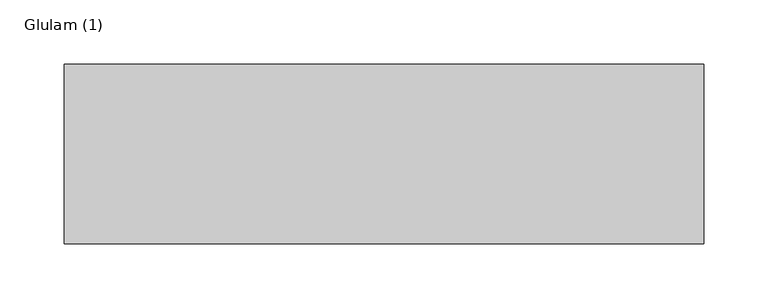
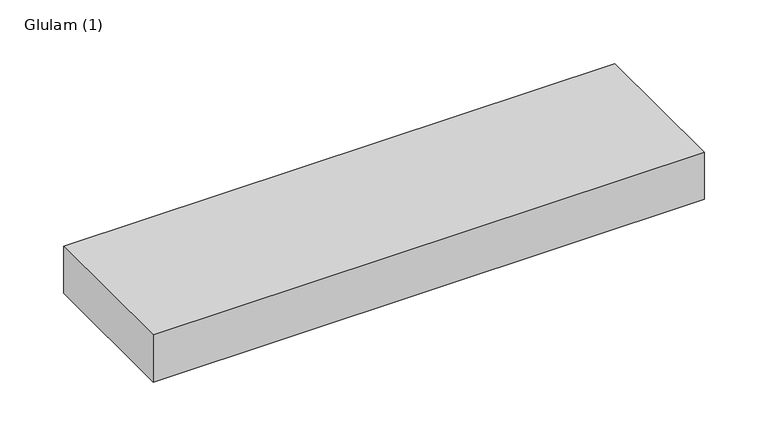
"""IFC4 building model written with IfcOpenShell, lengths in millimetres: beam geometry, Glulam (1)."""

from ifc_helpers import new_model, si_unit, frame, origin, place, context, project, spatial, polyline, outline, extrude, source, transform, mapped, element, save


def glulam_1_32d03d16(model_context):
    return source(origin(), model_context, "Body", "SweptSolid", [
        extrude(outline(polyline([(262.0, 70.0), (262.0, -70.0), (-237.0, -70.0), (-237.0, 70.0), (262.0, 70.0)])), frame((0.0, 0.0, -22.5), z_axis=(0.0, 0.0, 1.0), x_axis=(1.0, 0.0, 0.0)), (0.0, 0.0, 1.0), 45.0),
    ])


if __name__ == "__main__":
    model = new_model("IFC4")
    model_context = context("Model", 3, world=origin())
    ifc_project = project(units=[si_unit("LENGTHUNIT", "METRE", prefix="MILLI")], contexts=[model_context])
    site = spatial("IfcSite", under=ifc_project)
    building = spatial("IfcBuilding", under=site)
    placement = place(None, origin())
    glulam_1_shape = glulam_1_32d03d16(model_context)
    element("IfcBeam", 1, ObjectType="Glulam (1)", at=placement, inside=building, context=model_context, shape_type="MappedRepresentation", body=[
        mapped(glulam_1_shape, transform((0.0, 0.0, 0.0), x_axis=(1.0, 0.0, 0.0), y_axis=(0.0, 1.0, 0.0), z_axis=(0.0, 0.0, 1.0))),
    ])
    save(model, "model.ifc")
